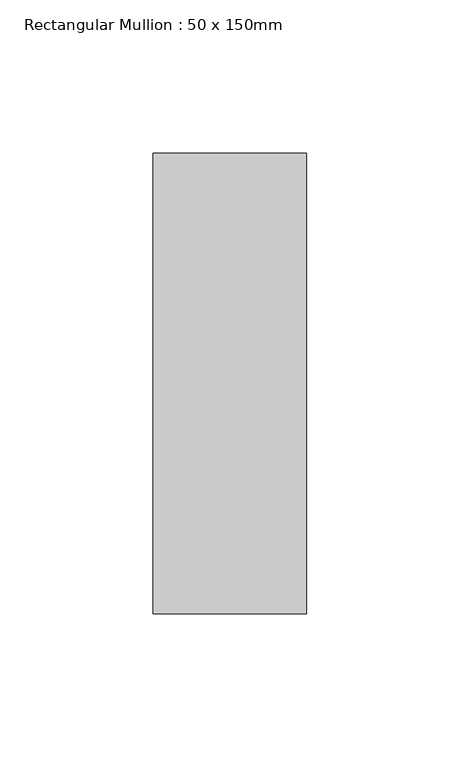
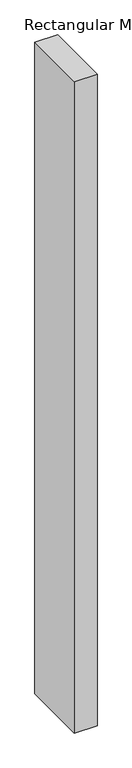
"""IFC4 building model written with IfcOpenShell, lengths in millimetres: member geometry, Rectangular Mullion : 50 x 150mm."""

from ifc_helpers import new_model, si_unit, frame, origin, place, context, project, spatial, polyline, outline, extrude, source, transform, mapped, element, save


def rectangular_mullion_50_x_150mm_0e141911(model_context):
    return source(origin(), model_context, "Body", "SweptSolid", [
        extrude(outline(polyline([(0.0, 75.0), (0.0, -75.0), (-50.0, -75.0), (-50.0, 75.0), (0.0, 75.0)])), frame((0.0, 0.0, -1515.0), z_axis=(0.0, 0.0, 1.0), x_axis=(1.0, 0.0, 0.0)), (0.0, 0.0, 1.0), 1515.0),
    ])


if __name__ == "__main__":
    model = new_model("IFC4")
    model_context = context("Model", 3, world=origin())
    ifc_project = project(units=[si_unit("LENGTHUNIT", "METRE", prefix="MILLI")], contexts=[model_context])
    site = spatial("IfcSite", under=ifc_project)
    building = spatial("IfcBuilding", under=site)
    placement = place(None, origin())
    rectangular_mullion_50_x_150mm_shape = rectangular_mullion_50_x_150mm_0e141911(model_context)
    element("IfcMember", 1, ObjectType="Rectangular Mullion : 50 x 150mm", at=placement, inside=building, context=model_context, shape_type="MappedRepresentation", body=[
        mapped(rectangular_mullion_50_x_150mm_shape, transform((0.0, 0.0, 0.0), x_axis=(1.0, 0.0, 0.0), y_axis=(0.0, 1.0, 0.0), z_axis=(0.0, 0.0, 1.0))),
    ])
    save(model, "model.ifc")
